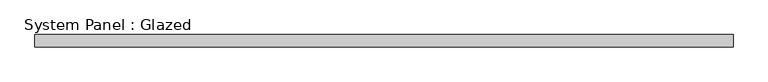
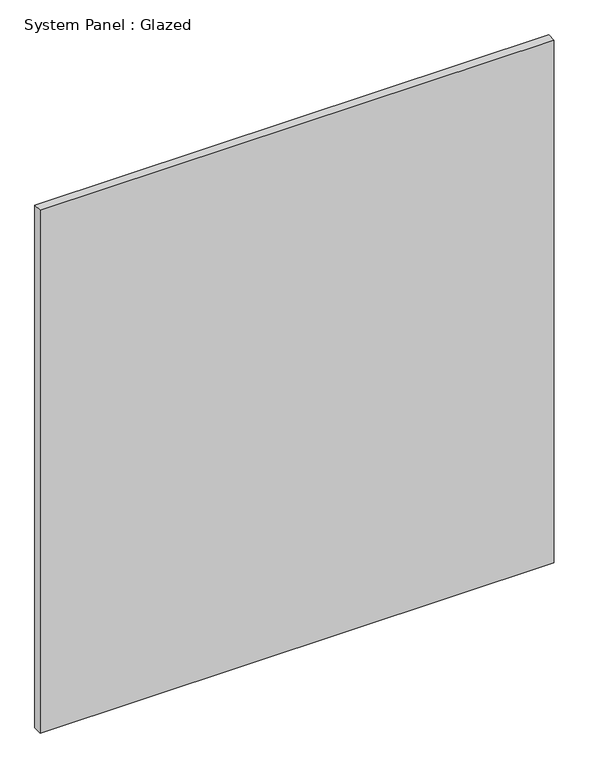
"""IFC4 building model written with IfcOpenShell, lengths in millimetres: plate geometry, System Panel : Glazed."""

from ifc_helpers import new_model, si_unit, origin, origin_with_axes, place, context, project, spatial, polyline, outline, extrude, source, transform, mapped, element, save


def system_panel_glazed_c0a8f2a3(model_context):
    return source(origin(), model_context, "Body", "SweptSolid", [
        extrude(outline(polyline([(709.7222222, 24.5), (-709.7222222, 24.5), (-709.7222222, 49.5), (709.7222222, 49.5), (709.7222222, 24.5)])), origin_with_axes(), (0.0, 0.0, 1.0), 1525.0),
    ])


if __name__ == "__main__":
    model = new_model("IFC4")
    model_context = context("Model", 3, world=origin())
    ifc_project = project(units=[si_unit("LENGTHUNIT", "METRE", prefix="MILLI")], contexts=[model_context])
    site = spatial("IfcSite", under=ifc_project)
    building = spatial("IfcBuilding", under=site)
    placement = place(None, origin())
    system_panel_glazed_shape = system_panel_glazed_c0a8f2a3(model_context)
    element("IfcPlate", 1, ObjectType="System Panel : Glazed", at=placement, inside=building, context=model_context, shape_type="MappedRepresentation", body=[
        mapped(system_panel_glazed_shape, transform((0.0, 0.0, 0.0), x_axis=(1.0, 0.0, 0.0), y_axis=(0.0, 1.0, 0.0), z_axis=(0.0, 0.0, 1.0))),
    ])
    save(model, "model.ifc")
